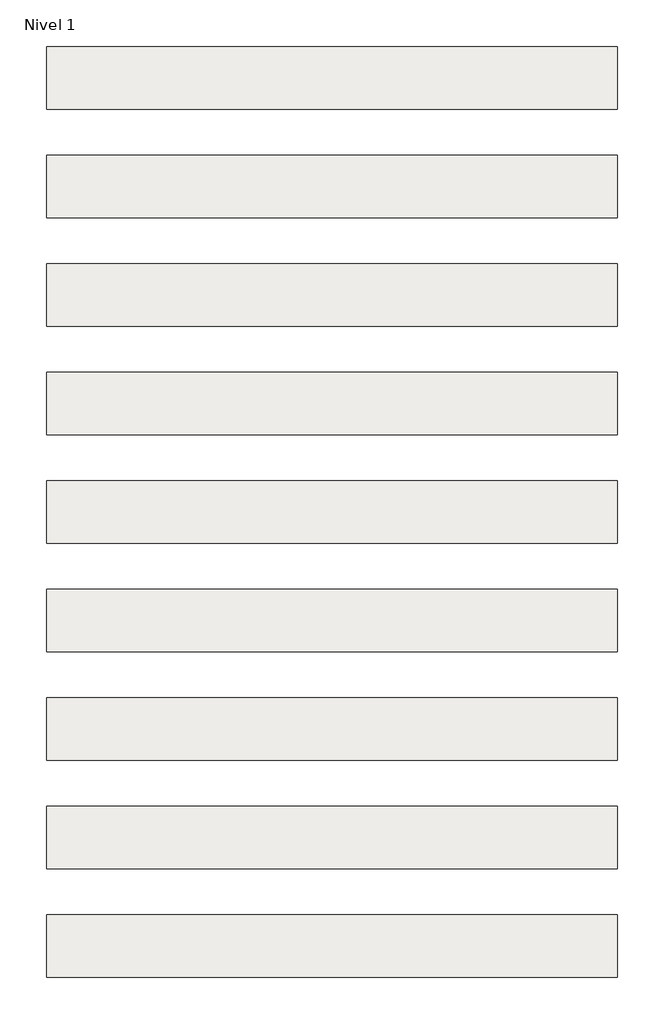
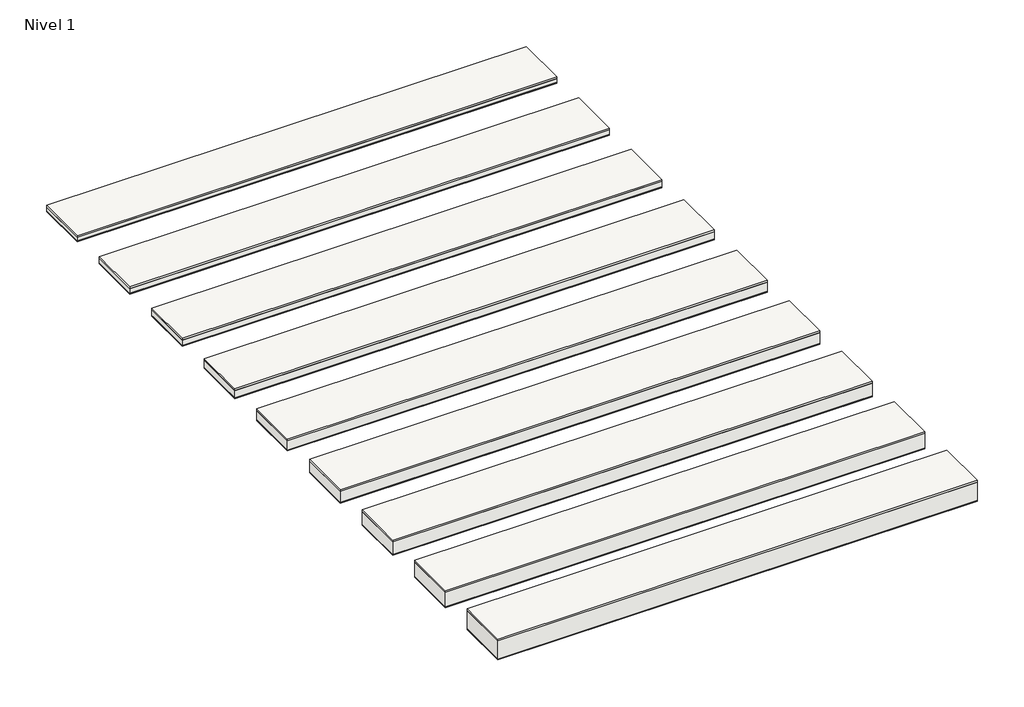
# One storey: 9 roofs.
"""IFC4 building model written with IfcOpenShell, lengths in millimetres."""

from ifc_helpers import new_model, si_unit, frame, origin, origin_with_axes, place, context, project, spatial, polyline, outline, extrude, element, save

model = new_model("IFC4")

# Units and contexts
model_context = context("Model", 3, world=origin())
ifc_project = project(units=[si_unit("LENGTHUNIT", "METRE", prefix="MILLI")], contexts=[model_context])

# Site, building, storey
site = spatial("IfcSite", under=ifc_project)
building = spatial("IfcBuilding", under=site)
storey = spatial("IfcBuildingStorey", under=building, Name="Nivel 1", Elevation=0.0)

# Roofs
placement = place(None, origin())
element("IfcRoof", 1, at=placement, inside=storey, context=model_context, shape_type="SweptSolid", body=[
    extrude(outline(polyline([(-3824.6699095, -6894.5376473), (1175.3300905, -6894.5376473), (1175.3300905, -7444.5376473), (-3824.6699095, -7444.5376473), (-3824.6699095, -6894.5376473)])), frame((0.0, 0.0, 60.0), z_axis=(0.0, 0.0, 1.0), x_axis=(1.0, 0.0, 0.0)), (0.0, 0.0, 1.0), 19.0),
    extrude(outline(polyline([(-3824.6699095, -6894.5376473), (1175.3300905, -6894.5376473), (1175.3300905, -7444.5376473), (-3824.6699095, -7444.5376473), (-3824.6699095, -6894.5376473)])), frame((0.0, 0.0, 10.0), z_axis=(0.0, 0.0, 1.0), x_axis=(1.0, 0.0, 0.0)), (0.0, 0.0, 1.0), 50.0),
    extrude(outline(polyline([(-3824.6699095, -6894.5376473), (1175.3300905, -6894.5376473), (1175.3300905, -7444.5376473), (-3824.6699095, -7444.5376473), (-3824.6699095, -6894.5376473)])), origin_with_axes(), (0.0, 0.0, 1.0), 10.0),
])
element("IfcRoof", 2, at=placement, inside=storey, context=model_context, shape_type="SweptSolid", body=[
    extrude(outline(polyline([(-3824.6699095, -5944.5376473), (1175.3300905, -5944.5376473), (1175.3300905, -6494.5376473), (-3824.6699095, -6494.5376473), (-3824.6699095, -5944.5376473)])), frame((0.0, 0.0, 50.0), z_axis=(0.0, 0.0, 1.0), x_axis=(1.0, 0.0, 0.0)), (0.0, 0.0, 1.0), 19.0),
    extrude(outline(polyline([(-3824.6699095, -5944.5376473), (1175.3300905, -5944.5376473), (1175.3300905, -6494.5376473), (-3824.6699095, -6494.5376473), (-3824.6699095, -5944.5376473)])), frame((0.0, 0.0, 10.0), z_axis=(0.0, 0.0, 1.0), x_axis=(1.0, 0.0, 0.0)), (0.0, 0.0, 1.0), 40.0),
    extrude(outline(polyline([(-3824.6699095, -5944.5376473), (1175.3300905, -5944.5376473), (1175.3300905, -6494.5376473), (-3824.6699095, -6494.5376473), (-3824.6699095, -5944.5376473)])), origin_with_axes(), (0.0, 0.0, 1.0), 10.0),
])
element("IfcRoof", 3, at=placement, inside=storey, context=model_context, shape_type="SweptSolid", body=[
    extrude(outline(polyline([(-3824.6699095, -7844.5376473), (1175.3300905, -7844.5376473), (1175.3300905, -8394.5376473), (-3824.6699095, -8394.5376473), (-3824.6699095, -7844.5376473)])), frame((0.0, 0.0, 70.0), z_axis=(0.0, 0.0, 1.0), x_axis=(1.0, 0.0, 0.0)), (0.0, 0.0, 1.0), 19.0),
    extrude(outline(polyline([(-3824.6699095, -7844.5376473), (1175.3300905, -7844.5376473), (1175.3300905, -8394.5376473), (-3824.6699095, -8394.5376473), (-3824.6699095, -7844.5376473)])), frame((0.0, 0.0, 10.0), z_axis=(0.0, 0.0, 1.0), x_axis=(1.0, 0.0, 0.0)), (0.0, 0.0, 1.0), 60.0),
    extrude(outline(polyline([(-3824.6699095, -7844.5376473), (1175.3300905, -7844.5376473), (1175.3300905, -8394.5376473), (-3824.6699095, -8394.5376473), (-3824.6699095, -7844.5376473)])), origin_with_axes(), (0.0, 0.0, 1.0), 10.0),
])
element("IfcRoof", 4, at=placement, inside=storey, context=model_context, shape_type="SweptSolid", body=[
    extrude(outline(polyline([(-3824.6699095, -8794.5376473), (1175.3300905, -8794.5376473), (1175.3300905, -9344.5376473), (-3824.6699095, -9344.5376473), (-3824.6699095, -8794.5376473)])), frame((0.0, 0.0, 90.0), z_axis=(0.0, 0.0, 1.0), x_axis=(1.0, 0.0, 0.0)), (0.0, 0.0, 1.0), 19.0),
    extrude(outline(polyline([(-3824.6699095, -8794.5376473), (1175.3300905, -8794.5376473), (1175.3300905, -9344.5376473), (-3824.6699095, -9344.5376473), (-3824.6699095, -8794.5376473)])), frame((0.0, 0.0, 10.0), z_axis=(0.0, 0.0, 1.0), x_axis=(1.0, 0.0, 0.0)), (0.0, 0.0, 1.0), 80.0),
    extrude(outline(polyline([(-3824.6699095, -8794.5376473), (1175.3300905, -8794.5376473), (1175.3300905, -9344.5376473), (-3824.6699095, -9344.5376473), (-3824.6699095, -8794.5376473)])), origin_with_axes(), (0.0, 0.0, 1.0), 10.0),
])
element("IfcRoof", 5, at=placement, inside=storey, context=model_context, shape_type="SweptSolid", body=[
    extrude(outline(polyline([(-3824.6699095, -9744.5376473), (1175.3300905, -9744.5376473), (1175.3300905, -10294.5376473), (-3824.6699095, -10294.5376473), (-3824.6699095, -9744.5376473)])), frame((0.0, 0.0, 110.0), z_axis=(0.0, 0.0, 1.0), x_axis=(1.0, 0.0, 0.0)), (0.0, 0.0, 1.0), 19.0),
    extrude(outline(polyline([(-3824.6699095, -9744.5376473), (1175.3300905, -9744.5376473), (1175.3300905, -10294.5376473), (-3824.6699095, -10294.5376473), (-3824.6699095, -9744.5376473)])), frame((0.0, 0.0, 10.0), z_axis=(0.0, 0.0, 1.0), x_axis=(1.0, 0.0, 0.0)), (0.0, 0.0, 1.0), 100.0),
    extrude(outline(polyline([(-3824.6699095, -9744.5376473), (1175.3300905, -9744.5376473), (1175.3300905, -10294.5376473), (-3824.6699095, -10294.5376473), (-3824.6699095, -9744.5376473)])), origin_with_axes(), (0.0, 0.0, 1.0), 10.0),
])
element("IfcRoof", 6, at=placement, inside=storey, context=model_context, shape_type="SweptSolid", body=[
    extrude(outline(polyline([(-3824.6699095, -10694.5376473), (1175.3300905, -10694.5376473), (1175.3300905, -11244.5376473), (-3824.6699095, -11244.5376473), (-3824.6699095, -10694.5376473)])), frame((0.0, 0.0, 130.0), z_axis=(0.0, 0.0, 1.0), x_axis=(1.0, 0.0, 0.0)), (0.0, 0.0, 1.0), 19.0),
    extrude(outline(polyline([(-3824.6699095, -10694.5376473), (1175.3300905, -10694.5376473), (1175.3300905, -11244.5376473), (-3824.6699095, -11244.5376473), (-3824.6699095, -10694.5376473)])), frame((0.0, 0.0, 10.0), z_axis=(0.0, 0.0, 1.0), x_axis=(1.0, 0.0, 0.0)), (0.0, 0.0, 1.0), 120.0),
    extrude(outline(polyline([(-3824.6699095, -10694.5376473), (1175.3300905, -10694.5376473), (1175.3300905, -11244.5376473), (-3824.6699095, -11244.5376473), (-3824.6699095, -10694.5376473)])), origin_with_axes(), (0.0, 0.0, 1.0), 10.0),
])
element("IfcRoof", 7, at=placement, inside=storey, context=model_context, shape_type="SweptSolid", body=[
    extrude(outline(polyline([(-3824.6699095, -11644.5376473), (1175.3300905, -11644.5376473), (1175.3300905, -12194.5376473), (-3824.6699095, -12194.5376473), (-3824.6699095, -11644.5376473)])), frame((0.0, 0.0, 150.0), z_axis=(0.0, 0.0, 1.0), x_axis=(1.0, 0.0, 0.0)), (0.0, 0.0, 1.0), 19.0),
    extrude(outline(polyline([(-3824.6699095, -11644.5376473), (1175.3300905, -11644.5376473), (1175.3300905, -12194.5376473), (-3824.6699095, -12194.5376473), (-3824.6699095, -11644.5376473)])), frame((0.0, 0.0, 10.0), z_axis=(0.0, 0.0, 1.0), x_axis=(1.0, 0.0, 0.0)), (0.0, 0.0, 1.0), 140.0),
    extrude(outline(polyline([(-3824.6699095, -11644.5376473), (1175.3300905, -11644.5376473), (1175.3300905, -12194.5376473), (-3824.6699095, -12194.5376473), (-3824.6699095, -11644.5376473)])), origin_with_axes(), (0.0, 0.0, 1.0), 10.0),
])
element("IfcRoof", 8, at=placement, inside=storey, context=model_context, shape_type="SweptSolid", body=[
    extrude(outline(polyline([(-3824.6699095, -12594.5376473), (1175.3300905, -12594.5376473), (1175.3300905, -13144.5376473), (-3824.6699095, -13144.5376473), (-3824.6699095, -12594.5376473)])), frame((0.0, 0.0, 170.0), z_axis=(0.0, 0.0, 1.0), x_axis=(1.0, 0.0, 0.0)), (0.0, 0.0, 1.0), 19.0),
    extrude(outline(polyline([(-3824.6699095, -12594.5376473), (1175.3300905, -12594.5376473), (1175.3300905, -13144.5376473), (-3824.6699095, -13144.5376473), (-3824.6699095, -12594.5376473)])), frame((0.0, 0.0, 10.0), z_axis=(0.0, 0.0, 1.0), x_axis=(1.0, 0.0, 0.0)), (0.0, 0.0, 1.0), 160.0),
    extrude(outline(polyline([(-3824.6699095, -12594.5376473), (1175.3300905, -12594.5376473), (1175.3300905, -13144.5376473), (-3824.6699095, -13144.5376473), (-3824.6699095, -12594.5376473)])), origin_with_axes(), (0.0, 0.0, 1.0), 10.0),
])
element("IfcRoof", 9, at=placement, inside=storey, context=model_context, shape_type="SweptSolid", body=[
    extrude(outline(polyline([(-3824.6699095, -13544.5376473), (1175.3300905, -13544.5376473), (1175.3300905, -14094.5376473), (-3824.6699095, -14094.5376473), (-3824.6699095, -13544.5376473)])), frame((0.0, 0.0, 210.0), z_axis=(0.0, 0.0, 1.0), x_axis=(1.0, 0.0, 0.0)), (0.0, 0.0, 1.0), 19.0),
    extrude(outline(polyline([(-3824.6699095, -13544.5376473), (1175.3300905, -13544.5376473), (1175.3300905, -14094.5376473), (-3824.6699095, -14094.5376473), (-3824.6699095, -13544.5376473)])), frame((0.0, 0.0, 10.0), z_axis=(0.0, 0.0, 1.0), x_axis=(1.0, 0.0, 0.0)), (0.0, 0.0, 1.0), 200.0),
    extrude(outline(polyline([(-3824.6699095, -13544.5376473), (1175.3300905, -13544.5376473), (1175.3300905, -14094.5376473), (-3824.6699095, -14094.5376473), (-3824.6699095, -13544.5376473)])), origin_with_axes(), (0.0, 0.0, 1.0), 10.0),
])

save(model, "model.ifc")
